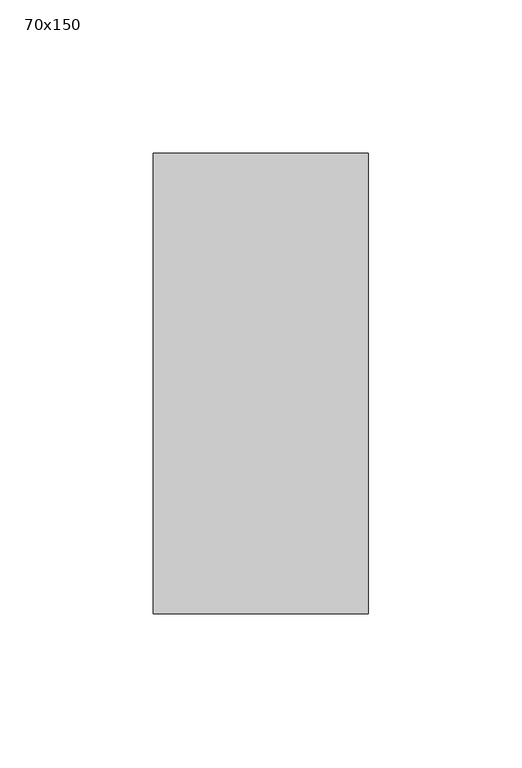
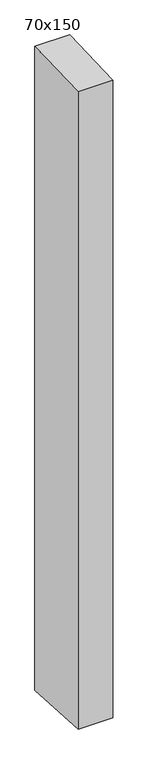
"""IFC4 building model written with IfcOpenShell, lengths in millimetres: member geometry, 70x150."""

from ifc_helpers import new_model, si_unit, frame, origin, place, context, project, spatial, polyline, outline, extrude, source, transform, mapped, element, save


def member_70x150_9f3e030a(model_context):
    return source(origin(), model_context, "Body", "SweptSolid", [
        extrude(outline(polyline([(-75.0, -2.6562149), (75.0, 2.6562149), (75.0, -1362.1881869), (-75.0, -1354.1439666), (-75.0, -2.6562149)])), frame((-70.0, 0.0, 0.0), z_axis=(1.0, 0.0, 0.0), x_axis=(0.0, 1.0, 0.0)), (0.0, 0.0, 1.0), 70.0),
    ])


if __name__ == "__main__":
    model = new_model("IFC4")
    model_context = context("Model", 3, world=origin())
    ifc_project = project(units=[si_unit("LENGTHUNIT", "METRE", prefix="MILLI")], contexts=[model_context])
    site = spatial("IfcSite", under=ifc_project)
    building = spatial("IfcBuilding", under=site)
    placement = place(None, origin())
    member_70x150_shape = member_70x150_9f3e030a(model_context)
    element("IfcMember", 1, ObjectType="70x150", at=placement, inside=building, context=model_context, shape_type="MappedRepresentation", body=[
        mapped(member_70x150_shape, transform((0.0, 0.0, 0.0), x_axis=(1.0, 0.0, 0.0), y_axis=(0.0, 1.0, 0.0), z_axis=(0.0, 0.0, 1.0))),
    ])
    save(model, "model.ifc")
